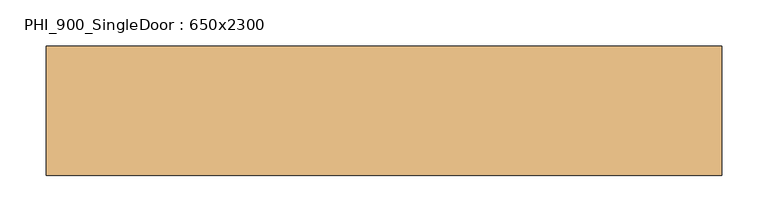
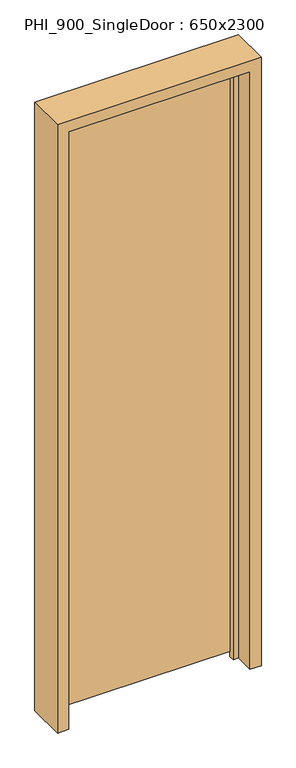
"""IFC4 building model written with IfcOpenShell, lengths in millimetres: door geometry, PHI_900_SingleDoor : 650x2300."""

from ifc_helpers import new_model, si_unit, frame, origin, place, context, project, spatial, polyline, outline, extrude, source, transform, mapped, element, save


def phi_900_singledoor_650x2300_0aa2a88b(model_context):
    return source(origin(), model_context, "Body", "SweptSolid", [
        extrude(outline(polyline([(323.0, 70.0), (323.0, 20.0), (-323.0, 20.0), (-323.0, 70.0), (323.0, 70.0)])), frame((0.0, 0.0, 20.0), z_axis=(0.0, 0.0, 1.0), x_axis=(1.0, 0.0, 0.0)), (0.0, 0.0, 1.0), 2238.0),
        extrude(outline(polyline([(2300.0, -365.0), (0.0, -365.0), (0.0, -325.0), (2260.0, -325.0), (2260.0, 325.0), (0.0, 325.0), (0.0, 365.0), (2300.0, 365.0), (2300.0, -365.0)])), frame((0.0, -70.0, 0.0), z_axis=(0.0, 1.0, 0.0), x_axis=(0.0, 0.0, 1.0)), (0.0, 0.0, 1.0), 140.0),
        extrude(outline(polyline([(2260.0, -325.0), (0.0, -325.0), (0.0, -305.0), (2240.0, -305.0), (2240.0, 305.0), (0.0, 305.0), (0.0, 325.0), (2260.0, 325.0), (2260.0, -325.0)])), frame((0.0, 0.0, 0.0), z_axis=(0.0, 1.0, 0.0), x_axis=(0.0, 0.0, 1.0)), (0.0, 0.0, 1.0), 20.0),
    ])


if __name__ == "__main__":
    model = new_model("IFC4")
    model_context = context("Model", 3, world=origin())
    ifc_project = project(units=[si_unit("LENGTHUNIT", "METRE", prefix="MILLI")], contexts=[model_context])
    site = spatial("IfcSite", under=ifc_project)
    building = spatial("IfcBuilding", under=site)
    placement = place(None, origin())
    phi_900_singledoor_650x2300_shape = phi_900_singledoor_650x2300_0aa2a88b(model_context)
    element("IfcDoor", 1, ObjectType="PHI_900_SingleDoor : 650x2300", at=placement, inside=building, context=model_context, shape_type="MappedRepresentation", body=[
        mapped(phi_900_singledoor_650x2300_shape, transform((0.0, 0.0, 0.0), x_axis=(1.0, 0.0, 0.0), y_axis=(0.0, 1.0, 0.0), z_axis=(0.0, 0.0, 1.0))),
    ])
    save(model, "model.ifc")
